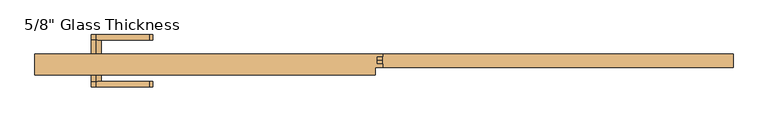
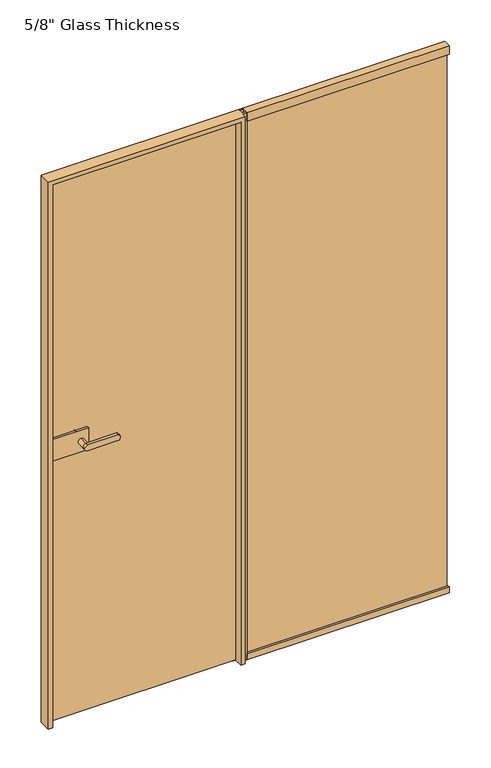
"""IFC4 building model written with IfcOpenShell, lengths in millimetres: door geometry."""

import ifcopenshell
import ifcopenshell.guid

model = None  # the IFC model being written
_history = None  # IfcOwnerHistory: only IFC2X3 demands one
_inside = {}  # id of a spatial element -> (the spatial element, [elements in it])
_under = {}  # id of a project, library or spatial element -> (it, [spatial elements below it])
_declared = {}  # id of a project -> (the project, [libraries it declares])
_typed = {}  # id of a type object -> (the type object, [elements of that type])
_made_of = {}  # id of a material, layer set ... -> (it, [elements and type objects made of it])


def new_model(schema):
    """Start an empty IFC model of exactly this schema.

    Asked for "IFC4X3", IfcOpenShell would pick the latest addendum, in which some entities
    have other attributes; the version numbers below select the first issue.
    IFC2X3 requires an IfcOwnerHistory on every rooted entity: one is made here for all.
    """
    global model, _history
    if schema == "IFC4X3":
        model = ifcopenshell.file(schema_version=(4, 3, 0, 0))
    else:
        model = ifcopenshell.file(schema=schema)
    _inside.clear()
    _under.clear()
    _declared.clear()
    _typed.clear()
    _made_of.clear()
    _history = None
    if model.schema == "IFC2X3":
        org = make("IfcOrganization", Name="unknown")
        user = make(
            "IfcPersonAndOrganization",
            ThePerson=make("IfcPerson", FamilyName="unknown"),
            TheOrganization=org,
        )
        app = make(
            "IfcApplication",
            ApplicationDeveloper=org,
            Version="unknown",
            ApplicationFullName="unknown",
            ApplicationIdentifier="unknown",
        )
        _history = make(
            "IfcOwnerHistory",
            OwningUser=user,
            OwningApplication=app,
            ChangeAction="ADDED",
            CreationDate=0,
        )
    return model


def make(cls, **values):
    """One entity of the class cls with the attributes given. An attribute that is None is left unset."""
    return model.create_entity(
        cls, **{name: value for name, value in values.items() if value is not None}
    )


def rooted(cls, **values):
    """An entity with a GlobalId (a new one), such as an element, a storey or a relation."""
    return make(cls, GlobalId=ifcopenshell.guid.new(), OwnerHistory=_history, **values)


def si_unit(unit_type, name, prefix=None):
    """IfcSIUnit, for example si_unit("LENGTHUNIT", "METRE", prefix="MILLI")."""
    return make("IfcSIUnit", UnitType=unit_type, Prefix=prefix, Name=name)


def assignment(units):
    """IfcUnitAssignment: the units of a project."""
    return None if units is None else make("IfcUnitAssignment", Units=units)


def point(xyz):
    """IfcCartesianPoint."""
    return None if xyz is None else make("IfcCartesianPoint", Coordinates=xyz)


def direction(xyz):
    """IfcDirection."""
    return None if xyz is None else make("IfcDirection", DirectionRatios=xyz)


def frame(location, z_axis=None, x_axis=None):
    """IfcAxis2Placement3D, a coordinate frame: its origin and axes. An axis left out is left unset."""
    return make(
        "IfcAxis2Placement3D",
        Location=point(location),
        Axis=direction(z_axis),
        RefDirection=direction(x_axis),
    )


def frame_2d(location, x_axis=None):
    """IfcAxis2Placement2D, a coordinate frame in the plane: its origin and x axis."""
    return make(
        "IfcAxis2Placement2D", Location=point(location), RefDirection=direction(x_axis)
    )


def origin():
    """The frame at (0, 0, 0) with its axes left unset."""
    return frame((0.0, 0.0, 0.0))


def place(relative_to, where):
    """IfcLocalPlacement: puts the frame where relative to a parent placement (None: the world)."""
    return make(
        "IfcLocalPlacement", PlacementRelTo=relative_to, RelativePlacement=where
    )


def context(
    kind, dimensions, precision=None, world=None, true_north=None, identifier=None
):
    """IfcGeometricRepresentationContext, for example the 3D "Model" context."""
    return make(
        "IfcGeometricRepresentationContext",
        ContextIdentifier=identifier,
        ContextType=kind,
        CoordinateSpaceDimension=dimensions,
        Precision=precision,
        WorldCoordinateSystem=world,
        TrueNorth=true_north,
    )


def project(units=None, contexts=None):
    """IfcProject with its units and contexts."""
    return rooted(
        "IfcProject",
        Name="project",
        RepresentationContexts=contexts,
        UnitsInContext=assignment(units),
    )


def spatial(cls, under=None, at=None, **own):
    """A site, building, storey or space (cls), placed at a placement, below another one or the project."""
    s = rooted(cls, ObjectPlacement=at, **own)
    if under is not None:
        _under.setdefault(under.id(), (under, []))[1].append(s)
    return s


def polyline(points):
    """IfcPolyline through the points."""
    return make("IfcPolyline", Points=[point(p) for p in points])


def circle_curve(where, radius):
    """IfcCircle in the frame where."""
    return make("IfcCircle", Position=where, Radius=radius)


def ellipse_curve(where, semi_axis1, semi_axis2):
    """IfcEllipse in the frame where."""
    return make(
        "IfcEllipse", Position=where, SemiAxis1=semi_axis1, SemiAxis2=semi_axis2
    )


def trimmed(basis, trim1, trim2, sense, master):
    """IfcTrimmedCurve: the piece of a basis curve between two trims."""
    return make(
        "IfcTrimmedCurve",
        BasisCurve=basis,
        Trim1=trim1,
        Trim2=trim2,
        SenseAgreement=sense,
        MasterRepresentation=master,
    )


def segment(curve, same_sense, transition):
    """IfcCompositeCurveSegment."""
    return make(
        "IfcCompositeCurveSegment",
        Transition=transition,
        SameSense=same_sense,
        ParentCurve=curve,
    )


def composite_curve(segments, self_intersect=None):
    """IfcCompositeCurve: segments joined end to end."""
    return make("IfcCompositeCurve", Segments=segments, SelfIntersect=self_intersect)


def outline(outer, holes=None, kind="AREA"):
    """IfcArbitraryClosedProfileDef: a profile drawn as a closed curve; with holes, ...WithVoids."""
    if holes is None:
        return make("IfcArbitraryClosedProfileDef", ProfileType=kind, OuterCurve=outer)
    return make(
        "IfcArbitraryProfileDefWithVoids",
        ProfileType=kind,
        OuterCurve=outer,
        InnerCurves=holes,
    )


def extrude(swept, where, along, depth):
    """IfcExtrudedAreaSolid: the profile swept, set in the frame where, extruded along a direction by depth."""
    return make(
        "IfcExtrudedAreaSolid",
        SweptArea=swept,
        Position=where,
        ExtrudedDirection=direction(along),
        Depth=depth,
    )


def faces_of(points, faces, orient=None, outer=None):
    """IfcFace entities. A face is a list of loops; a loop is a list of indices into points, from 0.

    orient and outer hold one flag for each loop. By default every Orientation is true, the
    first loop of a face is its IfcFaceOuterBound and the others are IfcFaceBound.
    """
    made = []
    for i, loops in enumerate(faces):
        bounds = []
        for j, loop in enumerate(loops):
            is_outer = j == 0 if outer is None else outer[i][j]
            bounds.append(
                make(
                    "IfcFaceOuterBound" if is_outer else "IfcFaceBound",
                    Bound=make("IfcPolyLoop", Polygon=[points[k] for k in loop]),
                    Orientation=True if orient is None else orient[i][j],
                )
            )
        made.append(make("IfcFace", Bounds=bounds))
    return made


def faceted_brep(points, faces, orient=None, outer=None, voids=None):
    """IfcFacetedBrep: a solid bounded by flat faces; with voids (closed shells), ...WithVoids."""
    shared = [point(p) for p in points]
    hull = make("IfcClosedShell", CfsFaces=faces_of(shared, faces, orient, outer))
    if voids is None:
        return make("IfcFacetedBrep", Outer=hull)
    return make(
        "IfcFacetedBrepWithVoids",
        Outer=hull,
        Voids=[
            make(cls, CfsFaces=faces_of(shared, fs, o, b)) for cls, fs, o, b in voids
        ],
    )


def shape(context_of_items, identifier, shape_type, items):
    """IfcShapeRepresentation: the items that make up one representation, for example the "Body"."""
    return make(
        "IfcShapeRepresentation",
        ContextOfItems=context_of_items,
        RepresentationIdentifier=identifier,
        RepresentationType=shape_type,
        Items=items,
    )


def source(mapping_origin, context_of_items, identifier, shape_type, items):
    """IfcRepresentationMap: a shape defined once, which mapped items show again and again."""
    return make(
        "IfcRepresentationMap",
        MappingOrigin=mapping_origin,
        MappedRepresentation=shape(context_of_items, identifier, shape_type, items),
    )


def transform(
    local_origin,
    x_axis=None,
    y_axis=None,
    z_axis=None,
    scale=None,
    scale2=None,
    scale3=None,
    uniform=True,
):
    """IfcCartesianTransformationOperator3D, or its non-uniform kind. x_axis, y_axis, z_axis: its Axis1, 2, 3."""
    if uniform:
        return make(
            "IfcCartesianTransformationOperator3D",
            Axis1=direction(x_axis),
            Axis2=direction(y_axis),
            LocalOrigin=point(local_origin),
            Scale=scale,
            Axis3=direction(z_axis),
        )
    return make(
        "IfcCartesianTransformationOperator3DnonUniform",
        Axis1=direction(x_axis),
        Axis2=direction(y_axis),
        LocalOrigin=point(local_origin),
        Scale=scale,
        Axis3=direction(z_axis),
        Scale2=scale2,
        Scale3=scale3,
    )


def mapped(mapping_source, mapping_target):
    """IfcMappedItem: shows the shape of a source again, moved by a transform."""
    return make(
        "IfcMappedItem", MappingSource=mapping_source, MappingTarget=mapping_target
    )


def made_of(thing, what):
    """Note that an element or type object is made of a material, layer set ...; save() writes the relation."""
    if what is not None:
        _made_of.setdefault(what.id(), (what, []))[1].append(thing)
    return thing


def element(
    cls,
    number,
    at=None,
    inside=None,
    cuts=None,
    type_object=None,
    material=None,
    context=None,
    identifier="Body",
    shape_type=None,
    held_by="IfcProductDefinitionShape",
    body=None,
    shapes=None,
    **own,
):
    """One element of the class cls, such as IfcWall. Its Tag is "e" and its number.

    at: its placement. inside: the storey or other place that contains it. cuts: it is an
    opening in that element (IfcRelVoidsElement). A single representation is given by context,
    identifier, shape_type and body (its items); several are given by shapes. held_by: the class
    of the entity that holds the representations. save() writes the other relations.
    """
    e = rooted(cls, Tag="e%d" % number, ObjectPlacement=at, **own)
    if body is not None:
        shapes = [shape(context, identifier, shape_type, body)]
    if shapes is not None:
        e.Representation = make(held_by, Representations=shapes)
    if inside is not None:
        _inside.setdefault(inside.id(), (inside, []))[1].append(e)
    if cuts is not None:
        rooted(
            "IfcRelVoidsElement", RelatingBuildingElement=cuts, RelatedOpeningElement=e
        )
    if type_object is not None:
        _typed.setdefault(type_object.id(), (type_object, []))[1].append(e)
    return made_of(e, material)


def aggregate(whole, parts):
    """IfcRelAggregates: a whole, such as a stair, and the parts it consists of."""
    return rooted("IfcRelAggregates", RelatingObject=whole, RelatedObjects=parts)


def save(model, path):
    """Write the relations noted so far, then the file.

    IfcRelAggregates (storeys below a building ...), IfcRelContainedInSpatialStructure (elements
    in a storey), IfcRelDefinesByType, IfcRelAssociatesMaterial and IfcRelDeclares: one each for
    every whole, place, type object, material and project.
    """
    for whole, parts in _under.values():
        aggregate(whole, parts)
    for where, things in _inside.values():
        rooted(
            "IfcRelContainedInSpatialStructure",
            RelatedElements=things,
            RelatingStructure=where,
        )
    for kind, things in _typed.values():
        rooted("IfcRelDefinesByType", RelatedObjects=things, RelatingType=kind)
    for what, things in _made_of.values():
        rooted("IfcRelAssociatesMaterial", RelatedObjects=things, RelatingMaterial=what)
    for by, libraries in _declared.values():
        rooted("IfcRelDeclares", RelatingContext=by, RelatedDefinitions=libraries)
    model.write(path)


def plane_surface(at):
    """IfcPlane: the flat surface through the origin of the frame at, square to its z axis."""
    return make("IfcPlane", Position=at)


def cylinder_surface(at, radius):
    """IfcCylindricalSurface: all points at the distance radius from the z axis of the frame at."""
    return make("IfcCylindricalSurface", Position=at, Radius=radius)


def extruded_surface(curve, direction_of_extrusion, depth):
    """IfcSurfaceOfLinearExtrusion: the curve pushed along a direction by depth."""
    return make(
        "IfcSurfaceOfLinearExtrusion",
        SweptCurve=make("IfcArbitraryOpenProfileDef", ProfileType="CURVE", Curve=curve),
        ExtrudedDirection=direction(direction_of_extrusion),
        Depth=depth,
    )


def advanced_brep(points, edges, surfaces, faces):
    """IfcAdvancedBrep: a solid bounded by faces that lie on surfaces and meet in shared edges.

    An edge is (start, end): straight between two places in points (the first is 0);
    or (start, end, curve); or (start, end, curve, False) where it runs against its curve.
    A face is (place in surfaces, loops), or (place, loops, False) where it looks against
    its surface's normal. A loop lists edges by number (the first is 1), with a minus sign
    where the edge is run from its end to its start. The first loop is the outer one.
    """
    corners = [point(p) for p in points]
    vertices = [make("IfcVertexPoint", VertexGeometry=c) for c in corners]
    made = []
    for start, end, *more in edges:
        made.append(
            make(
                "IfcEdgeCurve",
                EdgeStart=vertices[start],
                EdgeEnd=vertices[end],
                EdgeGeometry=more[0] if more else make("IfcPolyline", Points=[corners[start], corners[end]]),
                SameSense=more[1] if len(more) > 1 else True,
            )
        )
    hull = []
    for where, loops, *sense in faces:
        bounds = []
        for j, loop in enumerate(loops):
            ring = [make("IfcOrientedEdge", EdgeElement=made[abs(k) - 1], Orientation=k > 0) for k in loop]
            bounds.append(
                make(
                    "IfcFaceOuterBound" if j == 0 else "IfcFaceBound",
                    Bound=make("IfcEdgeLoop", EdgeList=ring),
                    Orientation=True,
                )
            )
        hull.append(make("IfcAdvancedFace", Bounds=bounds, FaceSurface=surfaces[where], SameSense=sense[0] if sense else True))
    return make("IfcAdvancedBrep", Outer=make("IfcClosedShell", CfsFaces=hull))


def door_03f5a0db(model_context):
    return source(origin(), model_context, "Body", "SolidModel", [
        extrude(outline(composite_curve([segment(trimmed(circle_curve(frame_2d((1150.0, -659.6832884)), 11.9886308), [point((1161.9886308, -659.6832884))], [point((1138.0113692, -659.6832884))], False, "CARTESIAN"), True, "CONTINUOUS"), segment(trimmed(circle_curve(frame_2d((1150.0, -659.6832884)), 11.9886308), [point((1138.0113692, -659.6832884))], [point((1161.9886308, -659.6832884))], False, "CARTESIAN"), True, "CONTINUOUS")], self_intersect=False)), frame((0.0, 21.06, 0.0), z_axis=(0.0, 1.0, 0.0), x_axis=(0.0, 0.0, 1.0)), (0.0, 0.0, 1.0), 33.5),
        advanced_brep(
        [(-659.6832884, 54.56, 1161.9886308), (-659.6832884, 54.56, 1138.0113692), (-538.0214958, 54.56, 1138.0113692), (-538.0214958, 54.56, 1161.9886308), (-659.6832884, 67.06, 1161.9886308), (-538.0214958, 67.06, 1161.9886308), (-538.0214958, 67.06, 1138.0113692), (-659.6832884, 67.06, 1138.0113692)],
        [
            (0, 1, circle_curve(frame((-659.6832884, 54.56, 1150.0), z_axis=(0.0, -1.0, 0.0), x_axis=(0.0, 0.0, -1.0)), 11.9886308)),
            (1, 2),
            (2, 3, ellipse_curve(frame((-538.0214958, 54.56, 1150.0), z_axis=(0.0, -1.0, 0.0), x_axis=(0.0, 0.0, 1.0)), 11.9886308, 7.9050795)),
            (3, 0),
            (4, 5),
            (5, 6, ellipse_curve(frame((-538.0214958, 67.06, 1150.0), z_axis=(0.0, 1.0, 0.0), x_axis=(0.0, 0.0, 1.0)), 11.9886308, 7.9050795)),
            (6, 7),
            (7, 4, circle_curve(frame((-659.6832884, 67.06, 1150.0), z_axis=(0.0, 1.0, 0.0), x_axis=(0.0, 0.0, -1.0)), 11.9886308)),
            (3, 5),
            (4, 0),
            (2, 6),
            (1, 7),
        ],
        [
            plane_surface(frame((-538.0214958, 54.56, 1161.9886308), z_axis=(0.0, -1.0, 0.0), x_axis=(1.0, 0.0, 0.0))),
            plane_surface(frame((-538.0214958, 67.06, 1161.9886308), z_axis=(0.0, 1.0, 0.0), x_axis=(-1.0, 0.0, 0.0))),
            plane_surface(frame((-659.6832884, 54.56, 1161.9886308), z_axis=(0.0, 0.0, 1.0), x_axis=(0.0, 1.0, 0.0))),
            extruded_surface(trimmed(ellipse_curve(frame((-538.0214958, 67.06, 1150.0), z_axis=(0.0, 1.0, 0.0), x_axis=(0.0, 0.0, 1.0)), 11.9886308, 7.9050795), [point((-538.0214958, 67.06, 1161.9886308))], [point((-538.0214958, 67.06, 1138.0113692))], True, "CARTESIAN"), (0.0, 12.5, 0.0), 12.5),
            plane_surface(frame((-538.0214958, 54.56, 1138.0113692), z_axis=(0.0, 0.0, -1.0), x_axis=(0.0, 1.0, 0.0))),
            cylinder_surface(frame((-659.6832884, 67.06, 1150.0), z_axis=(0.0, -1.0, 0.0), x_axis=(0.0, 0.0, -1.0)), 11.9886308),
        ],
        [
            (0, [[1, 2, 3, 4]]),
            (1, [[5, 6, 7, 8]]),
            (2, [[9, -5, 10, -4]]),
            (3, [[11, -6, -9, -3]]),
            (4, [[12, -7, -11, -2]]),
            (5, [[-10, -8, -12, -1]]),
        ],
    ),
        extrude(outline(polyline([(-763.6832884, 11.06), (-763.6832884, 21.06), (-629.6832884, 21.06), (-629.6832884, 11.06), (-763.6832884, 11.06)])), frame((0.0, 0.0, 1105.0), z_axis=(0.0, 0.0, 1.0), x_axis=(1.0, 0.0, 0.0)), (0.0, 0.0, 1.0), 90.0),
        extrude(outline(polyline([(-779.6832884, -6.94), (-779.6832884, 3.06), (-629.6832884, 3.06), (-629.6832884, -6.94), (-779.6832884, -6.94)])), frame((0.0, 0.0, 1105.0), z_axis=(0.0, 0.0, 1.0), x_axis=(1.0, 0.0, 0.0)), (0.0, 0.0, 1.0), 90.0),
        advanced_brep(
        [(-659.6832884, -6.94, 1161.9886308), (-659.6832884, -6.94, 1138.0113692), (-659.6832884, -40.4398825, 1161.9886308), (-659.6832884, -40.4398825, 1138.0113692), (-659.6832884, -52.9399695, 1161.9886308), (-659.6832884, -52.9399695, 1138.0113692), (-538.0214958, -52.9399695, 1138.0113692), (-538.0214958, -52.9399695, 1161.9886308), (-538.0214958, -40.4398825, 1161.9886308), (-538.0214958, -40.4398825, 1138.0113692)],
        [
            (0, 1, circle_curve(frame((-659.6832884, -6.94, 1150.0), z_axis=(0.0, 1.0, 0.0), x_axis=(0.0, 0.0, -1.0)), 11.9886308)),
            (1, 0, circle_curve(frame((-659.6832884, -6.94, 1150.0), z_axis=(0.0, 1.0, 0.0), x_axis=(0.0, 0.0, -1.0)), 11.9886308)),
            (0, 2),
            (2, 3, circle_curve(frame((-659.6832884, -40.4398825, 1150.0), z_axis=(0.0, 1.0, 0.0), x_axis=(0.0, 0.0, -1.0)), 11.9886308)),
            (3, 1),
            (3, 2, circle_curve(frame((-659.6832884, -40.4398825, 1150.0), z_axis=(0.0, 1.0, 0.0), x_axis=(0.0, 0.0, -1.0)), 11.9886308)),
            (4, 5, circle_curve(frame((-659.6832884, -52.9399695, 1150.0), z_axis=(0.0, -1.0, 0.0), x_axis=(0.0, 0.0, -1.0)), 11.9886308)),
            (5, 6),
            (6, 7, ellipse_curve(frame((-538.0214958, -52.9399695, 1150.0), z_axis=(0.0, -1.0, 0.0), x_axis=(0.0, 0.0, 1.0)), 11.9886308, 7.9050795)),
            (7, 4),
            (2, 8),
            (8, 9, ellipse_curve(frame((-538.0214958, -40.4398825, 1150.0), z_axis=(0.0, 1.0, 0.0), x_axis=(0.0, 0.0, 1.0)), 11.9886308, 7.9050795)),
            (9, 3),
            (7, 8),
            (2, 4),
            (6, 9),
            (5, 3),
        ],
        [
            plane_surface(frame((-659.6832884, -6.94, 1138.0113692), z_axis=(0.0, 1.0, 0.0), x_axis=(1.0, 0.0, 0.0))),
            cylinder_surface(frame((-659.6832884, -6.94, 1150.0), z_axis=(0.0, -1.0, 0.0), x_axis=(0.0, 0.0, -1.0)), 11.9886308),
            plane_surface(frame((-538.0214958, -52.9399695, 1161.9886308), z_axis=(0.0, -1.0, 0.0), x_axis=(1.0, 0.0, 0.0))),
            plane_surface(frame((-538.0214958, -40.4398825, 1161.9886308), z_axis=(0.0, 1.0, 0.0), x_axis=(-1.0, 0.0, 0.0))),
            plane_surface(frame((-659.6832884, -52.9399695, 1161.9886308), z_axis=(0.0, 0.0, 1.0), x_axis=(0.0, 1.0, 0.0))),
            extruded_surface(trimmed(ellipse_curve(frame((-538.0214958, -40.4398825, 1150.0), z_axis=(0.0, 1.0, 0.0), x_axis=(0.0, 0.0, 1.0)), 11.9886308, 7.9050795), [point((-538.0214958, -40.4398825, 1161.9886308))], [point((-538.0214958, -40.4398825, 1138.0113692))], True, "CARTESIAN"), (0.0, 12.500087000000004, 0.0), 12.500087000000004),
            plane_surface(frame((-538.0214958, -52.9399695, 1138.0113692), z_axis=(0.0, 0.0, -1.0), x_axis=(0.0, 1.0, 0.0))),
            cylinder_surface(frame((-659.6832884, -40.4398825, 1150.0), z_axis=(0.0, -1.0, 0.0), x_axis=(0.0, 0.0, -1.0)), 11.9886308),
        ],
        [
            (0, [[1, 2]]),
            (1, [[3, 4, 5, -1]]),
            (1, [[-5, 6, -3, -2]]),
            (2, [[7, 8, 9, 10]]),
            (3, [[-4, 11, 12, 13]]),
            (4, [[14, -11, 15, -10]]),
            (5, [[16, -12, -14, -9]]),
            (6, [[17, -13, -16, -8]]),
            (7, [[-15, -6, -17, -7]]),
        ],
    ),
        faceted_brep([(-17.6832884, -25.94, 2300.0), (-17.6832884, -25.94, 0.0), (-17.6832884, -7.94, 0.0), (-17.6832884, -7.94, 2300.0), (-770.6832884, 22.06, 0.0), (-770.6832884, 11.06, 0.0), (-783.5832884, 11.06, 0.0), (-783.5832884, -25.94, 0.0), (-800.6832884, -25.94, 0.0), (-800.6832884, 22.06, 0.0), (-770.6832884, 22.06, 2270.0), (-47.6832884, 22.06, 2270.0), (-47.6832884, 11.06, 2270.0), (-770.6832884, 11.06, 2270.0), (-47.6832884, 11.06, 0.0), (-34.7832884, 11.06, 0.0), (-34.7832884, 11.06, 2282.9), (-783.5832884, 11.06, 2282.9), (-34.7832884, -25.94, 2282.9), (-783.5832884, -25.94, 2282.9), (-800.6832884, -25.94, 2300.0), (-34.7832884, -25.94, 0.0), (-0.6832884, -7.94, 2300.0), (-0.6832884, 0.0, 2300.0), (-14.6832884, 0.0, 2300.0), (-14.6832884, 16.8, 2300.0), (-0.6832884, 16.8, 2300.0), (-0.6832884, 22.06, 2300.0), (-800.6832884, 22.06, 2300.0), (-0.6832884, 22.06, 0.0), (-47.6832884, 22.06, 0.0), (-0.6832884, 16.8, 0.0), (-14.6832884, 16.8, 0.0), (-14.6832884, 0.0, 0.0), (-0.6832884, 0.0, 0.0), (-0.6832884, -7.94, 0.0)], [[[0, 1, 2, 3]], [[4, 5, 6, 7, 8, 9]], [[10, 11, 12, 13]], [[5, 13, 12, 14, 15, 16, 17, 6]], [[16, 18, 19, 17]], [[0, 20, 8, 7, 19, 18, 21, 1]], [[0, 3, 22, 23, 24, 25, 26, 27, 28, 20]], [[9, 28, 27, 29, 30, 11, 10, 4]], [[4, 10, 13, 5]], [[6, 17, 19, 7]], [[8, 20, 28, 9]], [[15, 14, 30, 29, 31, 32, 33, 34, 35, 2, 1, 21]], [[14, 12, 11, 30]], [[26, 31, 29, 27]], [[25, 32, 31, 26]], [[24, 33, 32, 25]], [[23, 34, 33, 24]], [[22, 35, 34, 23]], [[2, 35, 22, 3]], [[21, 18, 16, 15]]]),
        extrude(outline(polyline([(-14.6832884, 16.8), (800.6832884, 16.8), (800.6832884, 8.8), (-14.6832884, 8.8), (-14.6832884, 16.8)])), frame((0.0, 0.0, 13.0), z_axis=(0.0, 0.0, 1.0), x_axis=(1.0, 0.0, 0.0)), (0.0, 0.0, 1.0), 2267.0),
        extrude(outline(polyline([(22.06, 0.0), (-7.94, 0.0), (-7.94, 26.0), (0.0, 26.0), (0.0, 13.0), (8.0, 13.0), (8.0, 26.0), (22.06, 26.0), (22.06, 0.0)])), frame((-0.6832884, 0.0, 0.0), z_axis=(1.0, 0.0, 0.0), x_axis=(0.0, 1.0, 0.0)), (0.0, 0.0, 1.0), 805.3665768),
        extrude(outline(polyline([(22.06, 2300.0), (22.06, 2265.0), (8.0, 2265.0), (8.0, 2280.0), (0.0, 2280.0), (0.0, 2265.0), (-7.94, 2265.0), (-7.94, 2300.0), (22.06, 2300.0)])), frame((-0.6832884, 0.0, 0.0), z_axis=(1.0, 0.0, 0.0), x_axis=(0.0, 1.0, 0.0)), (0.0, 0.0, 1.0), 805.3665768),
        extrude(outline(polyline([(800.6832884, 0.0), (-14.6832884, 0.0), (-14.6832884, 8.0), (800.6832884, 8.0), (800.6832884, 0.0)])), frame((0.0, 0.0, 13.0), z_axis=(0.0, 0.0, 1.0), x_axis=(1.0, 0.0, 0.0)), (0.0, 0.0, 1.0), 2267.0),
        extrude(outline(polyline([(-39.6832884, 3.06), (-779.6832884, 3.06), (-779.6832884, 11.06), (-39.6832884, 11.06), (-39.6832884, 3.06)])), frame((0.0, 0.0, 7.0), z_axis=(0.0, 0.0, 1.0), x_axis=(1.0, 0.0, 0.0)), (0.0, 0.0, 1.0), 2272.0),
    ])


if __name__ == "__main__":
    model = new_model("IFC4")
    model_context = context("Model", 3, world=origin())
    ifc_project = project(units=[si_unit("LENGTHUNIT", "METRE", prefix="MILLI")], contexts=[model_context])
    site = spatial("IfcSite", under=ifc_project)
    building = spatial("IfcBuilding", under=site)
    placement = place(None, origin())
    door_shape = door_03f5a0db(model_context)
    element("IfcDoor", 1, ObjectType="5/8\" Glass Thickness", at=placement, inside=building, context=model_context, shape_type="MappedRepresentation", body=[
        mapped(door_shape, transform((0.0, 0.0, 0.0), x_axis=(1.0, 0.0, 0.0), y_axis=(0.0, 1.0, 0.0), z_axis=(0.0, 0.0, 1.0))),
    ])
    save(model, "model.ifc")
